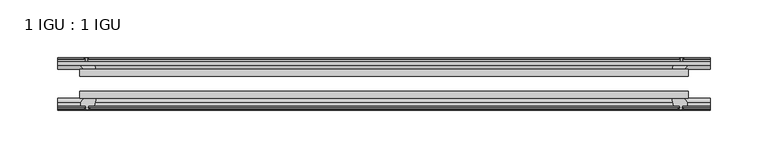
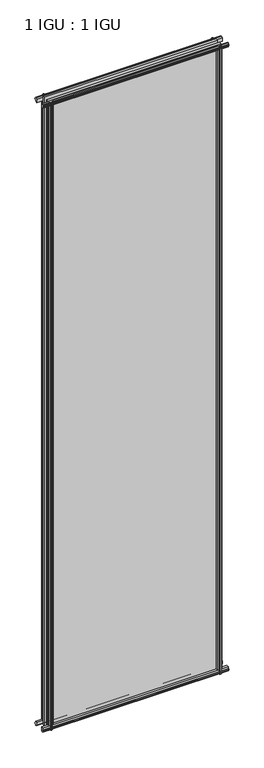
"""IFC4 building model written with IfcOpenShell, lengths in millimetres: plate geometry, 1 IGU : 1 IGU."""

import ifcopenshell
import ifcopenshell.guid

model = None  # the IFC model being written
_history = None  # IfcOwnerHistory: only IFC2X3 demands one
_inside = {}  # id of a spatial element -> (the spatial element, [elements in it])
_under = {}  # id of a project, library or spatial element -> (it, [spatial elements below it])
_declared = {}  # id of a project -> (the project, [libraries it declares])
_typed = {}  # id of a type object -> (the type object, [elements of that type])
_made_of = {}  # id of a material, layer set ... -> (it, [elements and type objects made of it])


def new_model(schema):
    """Start an empty IFC model of exactly this schema.

    Asked for "IFC4X3", IfcOpenShell would pick the latest addendum, in which some entities
    have other attributes; the version numbers below select the first issue.
    IFC2X3 requires an IfcOwnerHistory on every rooted entity: one is made here for all.
    """
    global model, _history
    if schema == "IFC4X3":
        model = ifcopenshell.file(schema_version=(4, 3, 0, 0))
    else:
        model = ifcopenshell.file(schema=schema)
    _inside.clear()
    _under.clear()
    _declared.clear()
    _typed.clear()
    _made_of.clear()
    _history = None
    if model.schema == "IFC2X3":
        org = make("IfcOrganization", Name="unknown")
        user = make(
            "IfcPersonAndOrganization",
            ThePerson=make("IfcPerson", FamilyName="unknown"),
            TheOrganization=org,
        )
        app = make(
            "IfcApplication",
            ApplicationDeveloper=org,
            Version="unknown",
            ApplicationFullName="unknown",
            ApplicationIdentifier="unknown",
        )
        _history = make(
            "IfcOwnerHistory",
            OwningUser=user,
            OwningApplication=app,
            ChangeAction="ADDED",
            CreationDate=0,
        )
    return model


def make(cls, **values):
    """One entity of the class cls with the attributes given. An attribute that is None is left unset."""
    return model.create_entity(
        cls, **{name: value for name, value in values.items() if value is not None}
    )


def rooted(cls, **values):
    """An entity with a GlobalId (a new one), such as an element, a storey or a relation."""
    return make(cls, GlobalId=ifcopenshell.guid.new(), OwnerHistory=_history, **values)


def si_unit(unit_type, name, prefix=None):
    """IfcSIUnit, for example si_unit("LENGTHUNIT", "METRE", prefix="MILLI")."""
    return make("IfcSIUnit", UnitType=unit_type, Prefix=prefix, Name=name)


def assignment(units):
    """IfcUnitAssignment: the units of a project."""
    return None if units is None else make("IfcUnitAssignment", Units=units)


def point(xyz):
    """IfcCartesianPoint."""
    return None if xyz is None else make("IfcCartesianPoint", Coordinates=xyz)


def direction(xyz):
    """IfcDirection."""
    return None if xyz is None else make("IfcDirection", DirectionRatios=xyz)


def frame(location, z_axis=None, x_axis=None):
    """IfcAxis2Placement3D, a coordinate frame: its origin and axes. An axis left out is left unset."""
    return make(
        "IfcAxis2Placement3D",
        Location=point(location),
        Axis=direction(z_axis),
        RefDirection=direction(x_axis),
    )


def origin():
    """The frame at (0, 0, 0) with its axes left unset."""
    return frame((0.0, 0.0, 0.0))


def place(relative_to, where):
    """IfcLocalPlacement: puts the frame where relative to a parent placement (None: the world)."""
    return make(
        "IfcLocalPlacement", PlacementRelTo=relative_to, RelativePlacement=where
    )


def context(
    kind, dimensions, precision=None, world=None, true_north=None, identifier=None
):
    """IfcGeometricRepresentationContext, for example the 3D "Model" context."""
    return make(
        "IfcGeometricRepresentationContext",
        ContextIdentifier=identifier,
        ContextType=kind,
        CoordinateSpaceDimension=dimensions,
        Precision=precision,
        WorldCoordinateSystem=world,
        TrueNorth=true_north,
    )


def project(units=None, contexts=None):
    """IfcProject with its units and contexts."""
    return rooted(
        "IfcProject",
        Name="project",
        RepresentationContexts=contexts,
        UnitsInContext=assignment(units),
    )


def spatial(cls, under=None, at=None, **own):
    """A site, building, storey or space (cls), placed at a placement, below another one or the project."""
    s = rooted(cls, ObjectPlacement=at, **own)
    if under is not None:
        _under.setdefault(under.id(), (under, []))[1].append(s)
    return s


def polyline(points):
    """IfcPolyline through the points."""
    return make("IfcPolyline", Points=[point(p) for p in points])


def outline(outer, holes=None, kind="AREA"):
    """IfcArbitraryClosedProfileDef: a profile drawn as a closed curve; with holes, ...WithVoids."""
    if holes is None:
        return make("IfcArbitraryClosedProfileDef", ProfileType=kind, OuterCurve=outer)
    return make(
        "IfcArbitraryProfileDefWithVoids",
        ProfileType=kind,
        OuterCurve=outer,
        InnerCurves=holes,
    )


def extrude(swept, where, along, depth):
    """IfcExtrudedAreaSolid: the profile swept, set in the frame where, extruded along a direction by depth."""
    return make(
        "IfcExtrudedAreaSolid",
        SweptArea=swept,
        Position=where,
        ExtrudedDirection=direction(along),
        Depth=depth,
    )


def shape(context_of_items, identifier, shape_type, items):
    """IfcShapeRepresentation: the items that make up one representation, for example the "Body"."""
    return make(
        "IfcShapeRepresentation",
        ContextOfItems=context_of_items,
        RepresentationIdentifier=identifier,
        RepresentationType=shape_type,
        Items=items,
    )


def source(mapping_origin, context_of_items, identifier, shape_type, items):
    """IfcRepresentationMap: a shape defined once, which mapped items show again and again."""
    return make(
        "IfcRepresentationMap",
        MappingOrigin=mapping_origin,
        MappedRepresentation=shape(context_of_items, identifier, shape_type, items),
    )


def transform(
    local_origin,
    x_axis=None,
    y_axis=None,
    z_axis=None,
    scale=None,
    scale2=None,
    scale3=None,
    uniform=True,
):
    """IfcCartesianTransformationOperator3D, or its non-uniform kind. x_axis, y_axis, z_axis: its Axis1, 2, 3."""
    if uniform:
        return make(
            "IfcCartesianTransformationOperator3D",
            Axis1=direction(x_axis),
            Axis2=direction(y_axis),
            LocalOrigin=point(local_origin),
            Scale=scale,
            Axis3=direction(z_axis),
        )
    return make(
        "IfcCartesianTransformationOperator3DnonUniform",
        Axis1=direction(x_axis),
        Axis2=direction(y_axis),
        LocalOrigin=point(local_origin),
        Scale=scale,
        Axis3=direction(z_axis),
        Scale2=scale2,
        Scale3=scale3,
    )


def mapped(mapping_source, mapping_target):
    """IfcMappedItem: shows the shape of a source again, moved by a transform."""
    return make(
        "IfcMappedItem", MappingSource=mapping_source, MappingTarget=mapping_target
    )


def made_of(thing, what):
    """Note that an element or type object is made of a material, layer set ...; save() writes the relation."""
    if what is not None:
        _made_of.setdefault(what.id(), (what, []))[1].append(thing)
    return thing


def element(
    cls,
    number,
    at=None,
    inside=None,
    cuts=None,
    type_object=None,
    material=None,
    context=None,
    identifier="Body",
    shape_type=None,
    held_by="IfcProductDefinitionShape",
    body=None,
    shapes=None,
    **own,
):
    """One element of the class cls, such as IfcWall. Its Tag is "e" and its number.

    at: its placement. inside: the storey or other place that contains it. cuts: it is an
    opening in that element (IfcRelVoidsElement). A single representation is given by context,
    identifier, shape_type and body (its items); several are given by shapes. held_by: the class
    of the entity that holds the representations. save() writes the other relations.
    """
    e = rooted(cls, Tag="e%d" % number, ObjectPlacement=at, **own)
    if body is not None:
        shapes = [shape(context, identifier, shape_type, body)]
    if shapes is not None:
        e.Representation = make(held_by, Representations=shapes)
    if inside is not None:
        _inside.setdefault(inside.id(), (inside, []))[1].append(e)
    if cuts is not None:
        rooted(
            "IfcRelVoidsElement", RelatingBuildingElement=cuts, RelatedOpeningElement=e
        )
    if type_object is not None:
        _typed.setdefault(type_object.id(), (type_object, []))[1].append(e)
    return made_of(e, material)


def aggregate(whole, parts):
    """IfcRelAggregates: a whole, such as a stair, and the parts it consists of."""
    return rooted("IfcRelAggregates", RelatingObject=whole, RelatedObjects=parts)


def save(model, path):
    """Write the relations noted so far, then the file.

    IfcRelAggregates (storeys below a building ...), IfcRelContainedInSpatialStructure (elements
    in a storey), IfcRelDefinesByType, IfcRelAssociatesMaterial and IfcRelDeclares: one each for
    every whole, place, type object, material and project.
    """
    for whole, parts in _under.values():
        aggregate(whole, parts)
    for where, things in _inside.values():
        rooted(
            "IfcRelContainedInSpatialStructure",
            RelatedElements=things,
            RelatingStructure=where,
        )
    for kind, things in _typed.values():
        rooted("IfcRelDefinesByType", RelatedObjects=things, RelatingType=kind)
    for what, things in _made_of.values():
        rooted("IfcRelAssociatesMaterial", RelatedObjects=things, RelatingMaterial=what)
    for by, libraries in _declared.values():
        rooted("IfcRelDeclares", RelatingContext=by, RelatedDefinitions=libraries)
    model.write(path)


def plate_1_igu_1_igu_b7925e15(model_context):
    return source(origin(), model_context, "Body", "SweptSolid", [
        extrude(outline(polyline([(-263.5295593, -38.6468937), (263.5295593, -38.6468937), (263.5295593, -44.9460938), (-263.5295593, -44.9460938), (-263.5295593, -38.6468937)])), frame((0.0, 0.0, -12.7), z_axis=(0.0, 0.0, 1.0), x_axis=(1.0, 0.0, 0.0)), (0.0, 0.0, 1.0), 2019.2999999),
        extrude(outline(polyline([(-263.5295593, -19.5460937), (263.5295593, -19.5460937), (263.5295593, -25.8960938), (-263.5295593, -25.8960938), (-263.5295593, -19.5460937)])), frame((0.0, 0.0, -12.7), z_axis=(0.0, 0.0, 1.0), x_axis=(1.0, 0.0, 0.0)), (0.0, 0.0, 1.0), 2019.2999999),
        extrude(outline(polyline([(-44.9460937, 1.7177181), (-44.9460937, -9.1036578), (-48.3496937, -11.938), (-51.2960937, -11.938), (-51.2960937, -7.493), (-53.6762907, -7.112), (-53.2163575, -8.5275291), (-54.0175717, -8.5275291), (-54.7250937, -6.35), (-54.0175717, -4.1724709), (-53.2163575, -4.1724709), (-53.6762907, -5.588), (-51.2960937, -5.207), (-51.2960937, 0.0), (-44.9460937, 1.7177181)])), frame((-282.5795593, 0.0, 0.0), z_axis=(1.0, 0.0, 0.0), x_axis=(0.0, 1.0, 0.0)), (0.0, 0.0, 1.0), 565.1591186),
        extrude(outline(polyline([(-13.1960937, -12.4587), (-16.1424937, -12.4587), (-19.5460937, -9.6243578), (-19.5460937, 1.1970181), (-13.1960937, -0.5207), (-13.1960937, -5.7277), (-10.8158968, -6.1087), (-11.27583, -4.6931709), (-10.4746158, -4.6931709), (-9.7670937, -6.8707), (-10.4746158, -9.0482291), (-11.27583, -9.0482291), (-10.8158968, -7.6327), (-13.1960937, -8.0137), (-13.1960937, -12.4587)])), frame((-282.5795593, 0.0, 0.0), z_axis=(1.0, 0.0, 0.0), x_axis=(0.0, 1.0, 0.0)), (0.0, 0.0, 1.0), 565.1591186),
        extrude(outline(polyline([(-51.2960937, 2005.8379999), (-48.3496937, 2005.8379999), (-44.9460937, 2003.0036577), (-44.9460937, 1992.1822818), (-51.2960937, 1993.8999999), (-51.2960937, 1999.1069999), (-53.6762907, 1999.4879999), (-53.2163575, 1998.0724708), (-54.0175717, 1998.0724708), (-54.7250937, 2000.2499999), (-54.0175717, 2002.4275289), (-53.2163575, 2002.4275289), (-53.6762907, 2001.0119999), (-51.2960937, 2001.3929999), (-51.2960937, 2005.8379999)])), frame((-282.5795593, 0.0, 0.0), z_axis=(1.0, 0.0, 0.0), x_axis=(0.0, 1.0, 0.0)), (0.0, 0.0, 1.0), 565.1591186),
        extrude(outline(polyline([(-19.5460937, 1992.7029818), (-19.5460937, 2003.5243577), (-16.1424937, 2006.3586999), (-13.1960937, 2006.3586999), (-13.1960937, 2001.9136999), (-10.8158968, 2001.5326999), (-11.27583, 2002.9482289), (-10.4746158, 2002.9482289), (-9.7670937, 2000.7706999), (-10.4746158, 1998.5931708), (-11.27583, 1998.5931708), (-10.8158968, 2000.0086999), (-13.1960937, 1999.6276999), (-13.1960937, 1994.4206999), (-19.5460937, 1992.7029818)])), frame((-282.5795593, 0.0, 0.0), z_axis=(1.0, 0.0, 0.0), x_axis=(0.0, 1.0, 0.0)), (0.0, 0.0, 1.0), 565.1591186),
        extrude(outline(polyline([(249.6325412, -19.5460938), (251.3502593, -13.1960938), (256.5572593, -13.1960938), (256.9382593, -10.8158968), (255.5227302, -11.27583), (255.5227302, -10.4746158), (257.7002593, -9.7670938), (259.8777883, -10.4746158), (259.8777883, -11.27583), (258.4622593, -10.8158968), (258.8432593, -13.1960938), (263.2882593, -13.1960938), (263.2882593, -16.1424938), (260.4539171, -19.5460938), (249.6325412, -19.5460938)])), frame((0.0, 0.0, -12.7), z_axis=(0.0, 0.0, 1.0), x_axis=(1.0, 0.0, 0.0)), (0.0, 0.0, 1.0), 2019.3),
        extrude(outline(polyline([(249.1118412, -44.9460938), (259.9332171, -44.9460938), (262.7675593, -48.3496938), (262.7675593, -51.2960938), (258.3225593, -51.2960938), (257.9415593, -53.6762907), (259.3570883, -53.2163575), (259.3570883, -54.0175717), (257.1795593, -54.7250938), (255.0020302, -54.0175717), (255.0020302, -53.2163575), (256.4175593, -53.6762907), (256.0365593, -51.2960938), (250.8295593, -51.2960938), (249.1118412, -44.9460938)])), frame((0.0, 0.0, -12.7), z_axis=(0.0, 0.0, 1.0), x_axis=(1.0, 0.0, 0.0)), (0.0, 0.0, 1.0), 2019.3),
        extrude(outline(polyline([(-257.7002593, -9.7670937), (-255.5227302, -10.4746158), (-255.5227302, -11.27583), (-256.9382593, -10.8158968), (-256.5572593, -13.1960937), (-251.3502593, -13.1960937), (-249.6325412, -19.5460937), (-260.4539171, -19.5460937), (-263.2882593, -16.1424937), (-263.2882593, -13.1960937), (-258.8432593, -13.1960937), (-258.4622593, -10.8158968), (-259.8777883, -11.27583), (-259.8777883, -10.4746158), (-257.7002593, -9.7670937)])), frame((0.0, 0.0, -12.7), z_axis=(0.0, 0.0, 1.0), x_axis=(1.0, 0.0, 0.0)), (0.0, 0.0, 1.0), 2019.3),
        extrude(outline(polyline([(-262.7675593, -48.3496937), (-259.9332171, -44.9460937), (-249.1118412, -44.9460937), (-250.8295593, -51.2960937), (-256.0365593, -51.2960937), (-256.4175593, -53.6762907), (-255.0020302, -53.2163575), (-255.0020302, -54.0175717), (-257.1795593, -54.7250937), (-259.3570883, -54.0175717), (-259.3570883, -53.2163575), (-257.9415593, -53.6762907), (-258.3225593, -51.2960937), (-262.7675593, -51.2960937), (-262.7675593, -48.3496937)])), frame((0.0, 0.0, -12.7), z_axis=(0.0, 0.0, 1.0), x_axis=(1.0, 0.0, 0.0)), (0.0, 0.0, 1.0), 2019.3),
    ])


if __name__ == "__main__":
    model = new_model("IFC4")
    model_context = context("Model", 3, world=origin())
    ifc_project = project(units=[si_unit("LENGTHUNIT", "METRE", prefix="MILLI")], contexts=[model_context])
    site = spatial("IfcSite", under=ifc_project)
    building = spatial("IfcBuilding", under=site)
    placement = place(None, origin())
    plate_1_igu_1_igu_shape = plate_1_igu_1_igu_b7925e15(model_context)
    element("IfcPlate", 1, ObjectType="1 IGU : 1 IGU", at=placement, inside=building, context=model_context, shape_type="MappedRepresentation", body=[
        mapped(plate_1_igu_1_igu_shape, transform((0.0, 0.0, 0.0), x_axis=(1.0, 0.0, 0.0), y_axis=(0.0, 1.0, 0.0), z_axis=(0.0, 0.0, 1.0))),
    ])
    save(model, "model.ifc")
